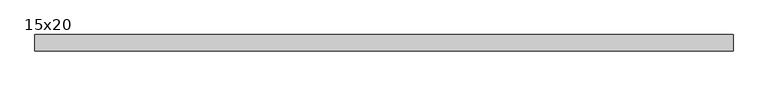
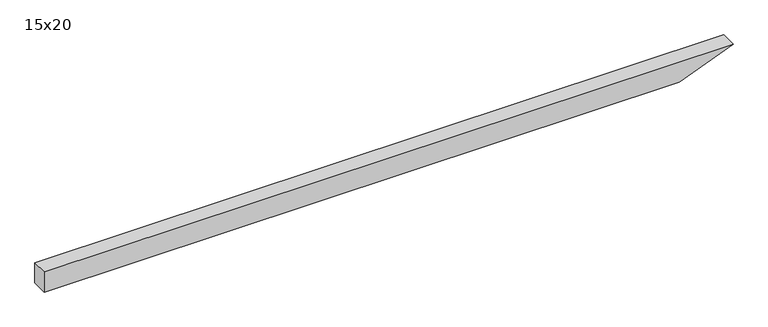
"""IFC4 building model written with IfcOpenShell, lengths in millimetres: beam geometry, 15x20."""

from ifc_helpers import new_model, si_unit, frame, origin, place, context, project, spatial, polyline, outline, extrude, source, transform, mapped, element, save


def beam_15x20_788423de(model_context):
    return source(origin(), model_context, "Body", "SweptSolid", [
        extrude(outline(polyline([(100.0, -3061.0), (-100.0, -3061.0), (-100.0, 2871.8), (100.0, 3374.0), (100.0, -3061.0)])), frame((0.0, -75.0, 0.0), z_axis=(0.0, 1.0, 0.0), x_axis=(0.0, 0.0, 1.0)), (0.0, 0.0, 1.0), 150.0),
    ])


if __name__ == "__main__":
    model = new_model("IFC4")
    model_context = context("Model", 3, world=origin())
    ifc_project = project(units=[si_unit("LENGTHUNIT", "METRE", prefix="MILLI")], contexts=[model_context])
    site = spatial("IfcSite", under=ifc_project)
    building = spatial("IfcBuilding", under=site)
    placement = place(None, origin())
    beam_15x20_shape = beam_15x20_788423de(model_context)
    element("IfcBeam", 1, ObjectType="15x20", at=placement, inside=building, context=model_context, shape_type="MappedRepresentation", body=[
        mapped(beam_15x20_shape, transform((0.0, 0.0, 0.0), x_axis=(1.0, 0.0, 0.0), y_axis=(0.0, 1.0, 0.0), z_axis=(0.0, 0.0, 1.0))),
    ])
    save(model, "model.ifc")
